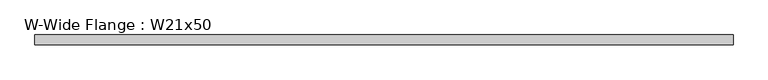
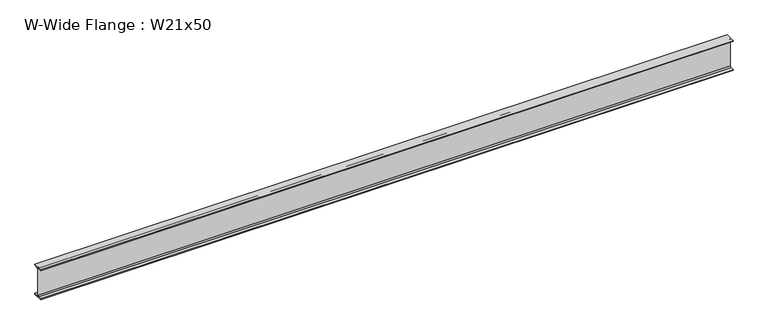
"""IFC4 building model written with IfcOpenShell, lengths in millimetres: beam geometry, W-Wide Flange : W21x50."""

from ifc_helpers import new_model, si_unit, point, frame, frame_2d, origin, place, context, project, spatial, polyline, circle_curve, trimmed, segment, composite_curve, outline, extrude, source, transform, mapped, element, save


def w_wide_flange_w21x50_3ffa9c16(model_context):
    return source(origin(), model_context, "Body", "SweptSolid", [
        extrude(outline(composite_curve([segment(polyline([(82.931, -250.571), (82.931, -264.16), (-82.931, -264.16), (-82.931, -250.571), (-22.987, -250.571)]), True, "CONTINUOUS"), segment(trimmed(circle_curve(frame_2d((-22.987, -232.41)), 18.161), [point((-22.987, -250.571))], [point((-4.826, -232.41))], True, "CARTESIAN"), True, "CONTINUOUS"), segment(polyline([(-4.826, -232.41), (-4.826, 232.41)]), True, "CONTINUOUS"), segment(trimmed(circle_curve(frame_2d((-22.987, 232.41)), 18.161), [point((-4.826, 232.41))], [point((-22.987, 250.571))], True, "CARTESIAN"), True, "CONTINUOUS"), segment(polyline([(-22.987, 250.571), (-82.931, 250.571), (-82.931, 264.16), (82.931, 264.16), (82.931, 250.571), (22.987, 250.571)]), True, "CONTINUOUS"), segment(trimmed(circle_curve(frame_2d((22.987, 232.41)), 18.161), [point((22.987, 250.571))], [point((4.826, 232.41))], True, "CARTESIAN"), True, "CONTINUOUS"), segment(polyline([(4.826, 232.41), (4.826, -232.41)]), True, "CONTINUOUS"), segment(trimmed(circle_curve(frame_2d((22.987, -232.41)), 18.161), [point((4.826, -232.41))], [point((22.987, -250.571))], True, "CARTESIAN"), True, "CONTINUOUS"), segment(polyline([(22.987, -250.571), (82.931, -250.571)]), True, "CONTINUOUS")], self_intersect=False)), frame((-5806.3670612, 0.0, 0.0), z_axis=(1.0, 0.0, 0.0), x_axis=(0.0, 1.0, 0.0)), (0.0, 0.0, 1.0), 11618.2788147),
    ])


if __name__ == "__main__":
    model = new_model("IFC4")
    model_context = context("Model", 3, world=origin())
    ifc_project = project(units=[si_unit("LENGTHUNIT", "METRE", prefix="MILLI")], contexts=[model_context])
    site = spatial("IfcSite", under=ifc_project)
    building = spatial("IfcBuilding", under=site)
    placement = place(None, origin())
    w_wide_flange_w21x50_shape = w_wide_flange_w21x50_3ffa9c16(model_context)
    element("IfcBeam", 1, ObjectType="W-Wide Flange : W21x50", at=placement, inside=building, context=model_context, shape_type="MappedRepresentation", body=[
        mapped(w_wide_flange_w21x50_shape, transform((0.0, 0.0, 0.0), x_axis=(1.0, 0.0, 0.0), y_axis=(0.0, 1.0, 0.0), z_axis=(0.0, 0.0, 1.0))),
    ])
    save(model, "model.ifc")
